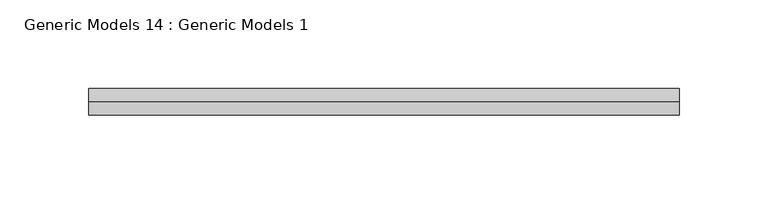
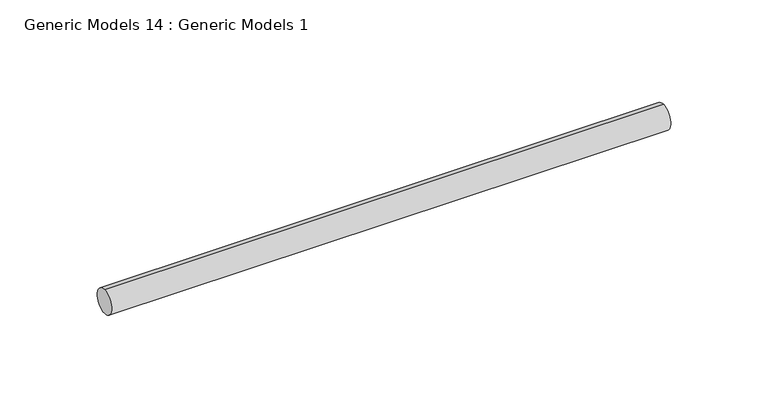
"""IFC4 building model written with IfcOpenShell, lengths in millimetres: proxy geometry, Generic Models 14 : Generic Models 1."""

from ifc_helpers import new_model, si_unit, point, frame, frame_2d, origin, place, context, project, spatial, circle_curve, trimmed, segment, composite_curve, outline, extrude, source, transform, mapped, element, save


def generic_models_14_generic_models_1_304a894b(model_context):
    return source(origin(), model_context, "Body", "SweptSolid", [
        extrude(outline(composite_curve([segment(trimmed(circle_curve(frame_2d((400.3057469, -818.1141294)), 7.5), [point((400.3057469, -825.6141294))], [point((400.3057469, -810.6141294))], False, "CARTESIAN"), True, "CONTINUOUS"), segment(trimmed(circle_curve(frame_2d((400.3057469, -818.1141294)), 7.5), [point((400.3057469, -810.6141294))], [point((400.3057469, -825.6141294))], False, "CARTESIAN"), True, "CONTINUOUS")], self_intersect=False)), frame((4959.746064, 0.0, 0.0), z_axis=(1.0, 0.0, 0.0), x_axis=(0.0, 1.0, 0.0)), (0.0, 0.0, 1.0), 332.0),
    ])


if __name__ == "__main__":
    model = new_model("IFC4")
    model_context = context("Model", 3, world=origin())
    ifc_project = project(units=[si_unit("LENGTHUNIT", "METRE", prefix="MILLI")], contexts=[model_context])
    site = spatial("IfcSite", under=ifc_project)
    building = spatial("IfcBuilding", under=site)
    placement = place(None, origin())
    generic_models_14_generic_models_1_shape = generic_models_14_generic_models_1_304a894b(model_context)
    element("IfcBuildingElementProxy", 1, Name="Generic Models 14 : Generic Models 1", ObjectType="Generic Models 14 : Generic Models 1", at=placement, inside=building, context=model_context, shape_type="MappedRepresentation", body=[
        mapped(generic_models_14_generic_models_1_shape, transform((0.0, 0.0, 0.0), x_axis=(1.0, 0.0, 0.0), y_axis=(0.0, 1.0, 0.0), z_axis=(0.0, 0.0, 1.0))),
    ])
    save(model, "model.ifc")
